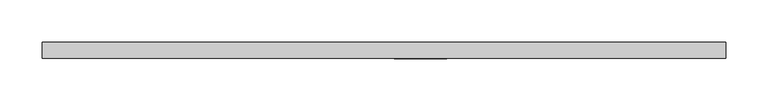
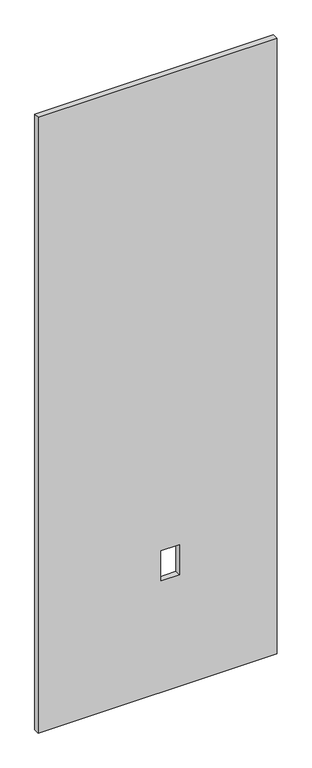
"""IFC4 building model written with IfcOpenShell, lengths in millimetres: proxy geometry."""

from ifc_helpers import new_model, si_unit, frame, origin, place, context, project, spatial, polyline, outline, extrude, source, transform, mapped, element, save


def specialty_equipment_a27922ac(model_context):
    return source(origin(), model_context, "Body", "SweptSolid", [
        extrude(outline(polyline([(2206.625, -404.5204), (3.175, -404.5204), (3.175, 404.5204), (2206.625, 404.5204), (2206.625, -404.5204)]), holes=[polyline([(402.3868, 74.295), (402.3868, 12.065), (509.0668, 12.065), (509.0668, 74.295), (402.3868, 74.295)])]), frame((0.0, -9.525, 0.0), z_axis=(0.0, 1.0, 0.0), x_axis=(0.0, 0.0, 1.0)), (0.0, 0.0, 1.0), 19.05),
    ])


if __name__ == "__main__":
    model = new_model("IFC4")
    model_context = context("Model", 3, world=origin())
    ifc_project = project(units=[si_unit("LENGTHUNIT", "METRE", prefix="MILLI")], contexts=[model_context])
    site = spatial("IfcSite", under=ifc_project)
    building = spatial("IfcBuilding", under=site)
    placement = place(None, origin())
    specialty_equipment_shape = specialty_equipment_a27922ac(model_context)
    element("IfcBuildingElementProxy", 1, Name="Specialty Equipment", at=placement, inside=building, context=model_context, shape_type="MappedRepresentation", body=[
        mapped(specialty_equipment_shape, transform((0.0, 0.0, 0.0), x_axis=(1.0, 0.0, 0.0), y_axis=(0.0, 1.0, 0.0), z_axis=(0.0, 0.0, 1.0))),
    ])
    save(model, "model.ifc")
